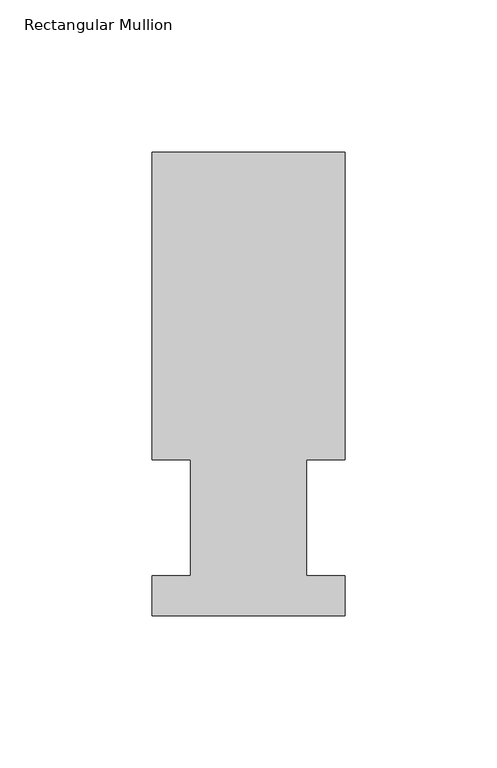
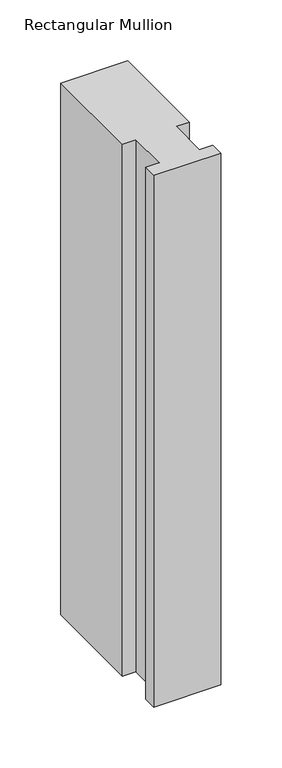
"""IFC4 building model written with IfcOpenShell, lengths in millimetres: member geometry, Rectangular Mullion."""

from ifc_helpers import new_model, si_unit, frame, origin, place, context, project, spatial, polyline, outline, extrude, source, transform, mapped, element, save


def rectangular_mullion_06ae3664(model_context):
    return source(origin(), model_context, "Body", "SweptSolid", [
        extrude(outline(polyline([(-63.5, 152.4896937), (-3e-07, 152.4831645), (-0.0104046, 51.2960937), (-12.6977047, 51.2960937), (-12.7016222, 13.1960938), (-0.0143221, 13.1960938), (-0.0156783, 0.0069653), (-63.5156779, 0.0134946), (-63.5143225, 13.1960938), (-50.8143224, 13.1960938), (-50.8104049, 51.2960937), (-63.510405, 51.2960937), (-63.5, 152.4896937)])), frame((0.0, 0.0, -533.36825), z_axis=(0.0, 0.0, 1.0), x_axis=(1.0, 0.0, 0.0)), (0.0, 0.0, 1.0), 533.36825),
    ])


if __name__ == "__main__":
    model = new_model("IFC4")
    model_context = context("Model", 3, world=origin())
    ifc_project = project(units=[si_unit("LENGTHUNIT", "METRE", prefix="MILLI")], contexts=[model_context])
    site = spatial("IfcSite", under=ifc_project)
    building = spatial("IfcBuilding", under=site)
    placement = place(None, origin())
    rectangular_mullion_shape = rectangular_mullion_06ae3664(model_context)
    element("IfcMember", 1, ObjectType="Rectangular Mullion", at=placement, inside=building, context=model_context, shape_type="MappedRepresentation", body=[
        mapped(rectangular_mullion_shape, transform((0.0, 0.0, 0.0), x_axis=(1.0, 0.0, 0.0), y_axis=(0.0, 1.0, 0.0), z_axis=(0.0, 0.0, 1.0))),
    ])
    save(model, "model.ifc")
